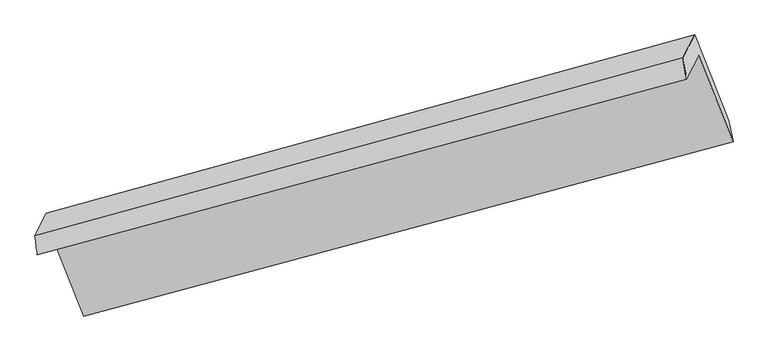
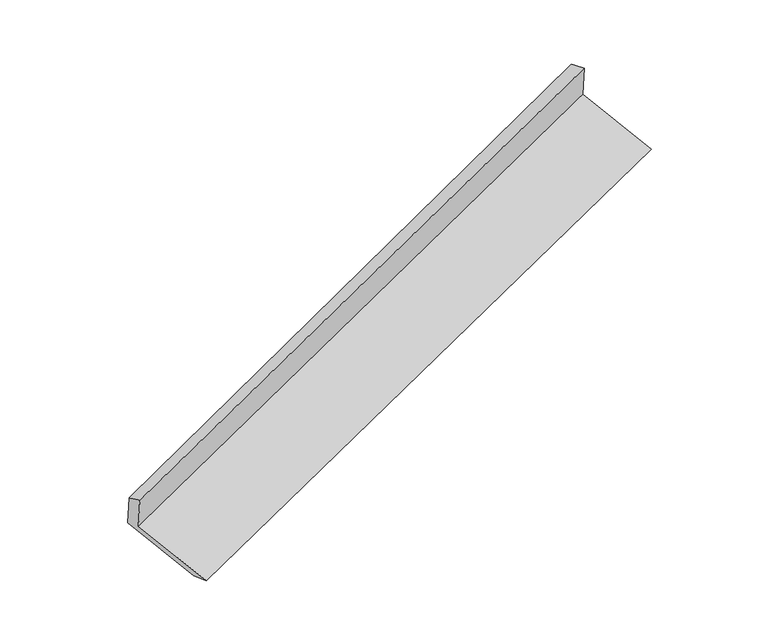
"""IFC4 building model written with IfcOpenShell, lengths in millimetres: proxy geometry."""

from ifc_helpers import new_model, si_unit, frame, origin, place, context, project, spatial, source, transform, mapped, element, save
from ifc_brep_helpers import plane_surface, spline_surface, advanced_brep


def generic_models_0fc5517c(model_context):
    return source(origin(), model_context, "Body", "AdvancedBrep", [
        advanced_brep(
        [(-5204.3456144, -2087.8877557, 1473.0486911), (-5120.9724086, -1923.2460486, 1110.7839445), (-677.7172593, -721.3535905, 2679.609114), (-761.0904652, -885.9952976, 3041.8738606), (-5220.9282495, -1959.2629819, 1421.4736218), (-784.6904335, -739.76458, 2996.6853224), (-5141.6823362, -1802.771669, 1077.1423658), (-705.4445202, -583.2732672, 2652.3540665), (-4914.541897, -2372.6493845, 870.4200335), (-471.2867477, -1170.7569264, 2439.245203), (-4888.1475232, -2507.3855977, 898.8881523), (-441.3837074, -1314.2961114, 2464.5200562)],
        [
            (0, 1),
            (1, 2),
            (2, 3),
            (3, 0),
            (4, 0),
            (3, 5),
            (5, 4),
            (6, 4),
            (5, 7),
            (7, 6),
            (8, 6),
            (7, 9),
            (9, 8),
            (10, 8),
            (9, 11),
            (11, 10),
            (1, 10),
            (11, 2),
        ],
        [
            plane_surface(frame((-5162.6590115, -2005.5669021, 1291.9163178), z_axis=(0.35086665873084233, -0.8802971878339106, -0.31932655524206477), x_axis=(0.20506819635777457, 0.40495957384769016, -0.8910414010536584))),
            spline_surface(1, 1, [[(-5220.9282495, -1959.2629819, 1421.4736218), (-784.6904335, -739.76458, 2996.6853224)], [(-5204.3456144, -2087.8877557, 1473.0486911), (-761.0904652, -885.9952976, 3041.8738606)]], [2, 2], [2, 2], [0.0, 1.0], [0.0, 1.0]),
            plane_surface(frame((-5181.3052929, -1881.0173254, 1249.3079938), z_axis=(-0.35462144346438995, 0.8792732778921506, 0.31799706699909297), x_axis=(-0.20506819635779416, -0.40495957384768766, 0.891041401053655))),
            plane_surface(frame((-5028.1121166, -2087.7105267, 973.7811997), z_axis=(0.20506819635779672, 0.40495957384768533, -0.8910414010536555), x_axis=(-0.3508666587308406, 0.8802971878339149, 0.3193265552420547))),
            spline_surface(1, 1, [[(-4888.1475232, -2507.3855977, 898.8881523), (-441.3837074, -1314.2961114, 2464.5200562)], [(-4914.541897, -2372.6493845, 870.4200335), (-471.2867477, -1170.7569264, 2439.245203)]], [2, 2], [2, 2], [0.0, 1.0], [0.0, 1.0]),
            plane_surface(frame((-5004.5599659, -2215.3158231, 1004.8360484), z_axis=(-0.20506819635779178, -0.40495957384769526, 0.8910414010536521), x_axis=(0.35086665873084616, -0.8802971878339094, -0.3193265552420639))),
            plane_surface(frame((-640.2688555, -902.5732955, 2712.3812705), z_axis=(0.9136955853201967, 0.24715299844590716, 0.3226077691649425), x_axis=(-0.3508666587308406, 0.8802971878339149, 0.3193265552420547))),
            plane_surface(frame((-5081.7696715, -2108.8672395, 1141.9594682), z_axis=(-0.9136955853202056, -0.24715299844591251, -0.3226077691649132), x_axis=(-0.20506819635777682, -0.40495957384765463, 0.891041401053674))),
        ],
        [
            (0, [[1, 2, 3, 4]]),
            (1, [[5, -4, 6, 7]]),
            (2, [[8, -7, 9, 10]]),
            (3, [[11, -10, 12, 13]]),
            (4, [[14, -13, 15, 16]]),
            (5, [[17, -16, 18, -2]]),
            (6, [[-12, -9, -6, -3, -18, -15]]),
            (7, [[-1, -5, -8, -11, -14, -17]]),
        ],
    ),
    ])


if __name__ == "__main__":
    model = new_model("IFC4")
    model_context = context("Model", 3, world=origin())
    ifc_project = project(units=[si_unit("LENGTHUNIT", "METRE", prefix="MILLI")], contexts=[model_context])
    site = spatial("IfcSite", under=ifc_project)
    building = spatial("IfcBuilding", under=site)
    placement = place(None, origin())
    generic_models_shape = generic_models_0fc5517c(model_context)
    element("IfcBuildingElementProxy", 1, Name="Generic Models", at=placement, inside=building, context=model_context, shape_type="MappedRepresentation", body=[
        mapped(generic_models_shape, transform((0.0, 0.0, 0.0), x_axis=(1.0, 0.0, 0.0), y_axis=(0.0, 1.0, 0.0), z_axis=(0.0, 0.0, 1.0))),
    ])
    save(model, "model.ifc")
